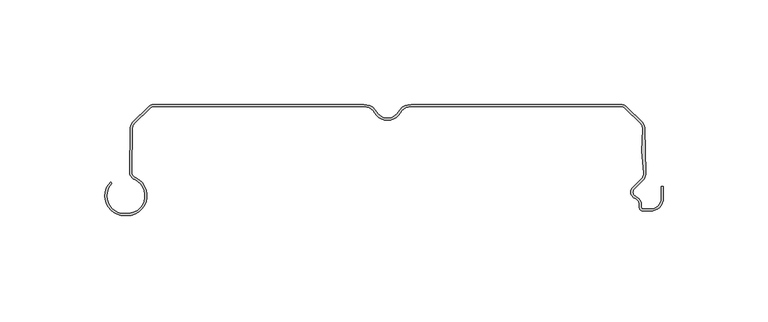
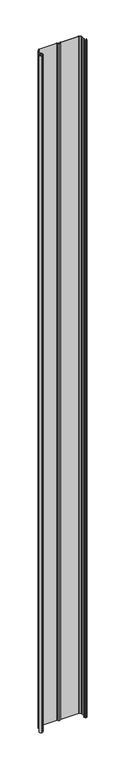
"""IFC4 building model written with IfcOpenShell, lengths in millimetres: plate geometry."""

from ifc_helpers import new_model, si_unit, point, frame_2d, origin, origin_with_axes, place, context, project, spatial, polyline, circle_curve, trimmed, segment, composite_curve, outline, extrude, source, transform, mapped, element, save


def plate_bf9ad2b4(model_context):
    return source(origin(), model_context, "Body", "SweptSolid", [
        extrude(outline(composite_curve([segment(polyline([(-125.5602535, -52.1554675), (-124.3062535, -52.1554674)]), True, "CONTINUOUS"), segment(trimmed(circle_curve(frame_2d((-124.3062535, -43.6554676)), 8.4999998), [point((-124.3062535, -52.1554674))], [point((-120.7922983, -35.9158219))], True, "CARTESIAN"), True, "CONTINUOUS"), segment(trimmed(circle_curve(frame_2d((-119.0973315, -32.1825808)), 4.1000003), [point((-120.7922983, -35.9158219))], [point((-123.1663292, -31.6793315))], False, "CARTESIAN"), True, "CONTINUOUS"), segment(trimmed(circle_curve(frame_2d((-221.9872875, -20.0746668)), 99.5000002), [point((-123.1663292, -31.6793315))], [point((-122.8298396, -11.8253902))], True, "CARTESIAN"), True, "CONTINUOUS"), segment(trimmed(circle_curve(frame_2d((-118.7516339, -11.4032092)), 4.0999999), [point((-122.8298396, -11.8253902))], [point((-121.6507716, -8.5040714))], False, "CARTESIAN"), True, "CONTINUOUS"), segment(polyline([(-121.6507716, -8.5040714), (-114.3475625, -1.2008622)]), True, "CONTINUOUS"), segment(trimmed(circle_curve(frame_2d((-111.4484247, -4.1)), 4.1), [point((-114.3475625, -1.2008622))], [point((-111.4484247, 0.0))], False, "CARTESIAN"), True, "CONTINUOUS"), segment(polyline([(-111.4484247, 0.0), (-11.2583302, 0.0)]), True, "CONTINUOUS"), segment(trimmed(circle_curve(frame_2d((-11.2583302, -7.0)), 7.0), [point((-11.2583302, 0.0))], [point((-5.1961524, -3.5))], False, "CARTESIAN"), True, "CONTINUOUS"), segment(trimmed(circle_curve(frame_2d((0.0, -0.5)), 6.0), [point((-5.1961524, -3.5))], [point((0.0, -6.5))], True, "CARTESIAN"), True, "CONTINUOUS"), segment(trimmed(circle_curve(frame_2d((0.0, -0.5)), 6.0), [point((0.0, -6.5))], [point((5.1961524, -3.5))], True, "CARTESIAN"), True, "CONTINUOUS"), segment(trimmed(circle_curve(frame_2d((11.2583302, -7.0)), 7.0), [point((5.1961524, -3.5))], [point((11.2583302, 0.0))], False, "CARTESIAN"), True, "CONTINUOUS"), segment(polyline([(11.2583302, 0.0), (111.4484247, 0.0)]), True, "CONTINUOUS"), segment(trimmed(circle_curve(frame_2d((111.4484247, -4.1)), 4.1), [point((111.4484247, 0.0))], [point((114.3475625, -1.2008622))], False, "CARTESIAN"), True, "CONTINUOUS"), segment(polyline([(114.3475625, -1.2008622), (121.6502638, -8.5035635)]), True, "CONTINUOUS"), segment(trimmed(circle_curve(frame_2d((118.751126, -11.4027013)), 4.1), [point((121.6502638, -8.5035635))], [point((122.8293417, -11.8247881))], False, "CARTESIAN"), True, "CONTINUOUS"), segment(trimmed(circle_curve(frame_2d((221.9888109, -20.0497283)), 99.5), [point((122.8293417, -11.8247881))], [point((123.2850467, -32.612249))], True, "CARTESIAN"), True, "CONTINUOUS"), segment(trimmed(circle_curve(frame_2d((118.9914799, -33.1706248)), 4.3297228), [point((123.2850467, -32.612249))], [point((121.927044, -36.353228))], False, "CARTESIAN"), True, "CONTINUOUS"), segment(polyline([(121.927044, -36.353228), (117.8931687, -40.3871033)]), True, "CONTINUOUS"), segment(trimmed(circle_curve(frame_2d((119.4488036, -41.9427382)), 2.2), [point((117.8931687, -40.3871033))], [point((118.6238711, -43.9822201))], True, "CARTESIAN"), True, "CONTINUOUS"), segment(trimmed(circle_curve(frame_2d((117.0489998, -47.8757764)), 4.2), [point((118.6238711, -43.9822201))], [point((121.2489999, -47.8757764))], False, "CARTESIAN"), True, "CONTINUOUS"), segment(polyline([(121.2489999, -47.8757764), (121.2489999, -49.0)]), True, "CONTINUOUS"), segment(trimmed(circle_curve(frame_2d((122.2489999, -49.0)), 1.0), [point((121.2489999, -49.0))], [point((122.2489999, -50.0))], True, "CARTESIAN"), True, "CONTINUOUS"), segment(polyline([(122.2489999, -50.0), (125.5499998, -50.0)]), True, "CONTINUOUS"), segment(trimmed(circle_curve(frame_2d((125.5499998, -44.8)), 5.2), [point((125.5499998, -50.0))], [point((130.7499998, -44.8))], True, "CARTESIAN"), True, "CONTINUOUS"), segment(polyline([(130.7499998, -44.8), (130.7499998, -39.169), (131.7499998, -39.169), (131.7499998, -44.8)]), True, "CONTINUOUS"), segment(trimmed(circle_curve(frame_2d((125.5499998, -44.8)), 6.2), [point((131.7499998, -44.8))], [point((125.5499998, -51.0))], False, "CARTESIAN"), True, "CONTINUOUS"), segment(polyline([(125.5499998, -51.0), (122.2489999, -51.0)]), True, "CONTINUOUS"), segment(trimmed(circle_curve(frame_2d((122.2489999, -49.0)), 2.0), [point((122.2489999, -51.0))], [point((120.2489999, -49.0))], False, "CARTESIAN"), True, "CONTINUOUS"), segment(polyline([(120.2489999, -49.0), (120.2489999, -47.8757764)]), True, "CONTINUOUS"), segment(trimmed(circle_curve(frame_2d((117.0489998, -47.8757764)), 3.2), [point((120.2489999, -47.8757764))], [point((118.2489017, -44.9092573))], True, "CARTESIAN"), True, "CONTINUOUS"), segment(trimmed(circle_curve(frame_2d((119.4488036, -41.9427382)), 3.2), [point((118.2489017, -44.9092573))], [point((117.1860619, -39.6799965))], False, "CARTESIAN"), True, "CONTINUOUS"), segment(polyline([(117.1860619, -39.6799965), (121.2351432, -35.6309153)]), True, "CONTINUOUS"), segment(trimmed(circle_curve(frame_2d((118.9914799, -33.1706248)), 3.3297228), [point((121.2351432, -35.6309153))], [point((122.2932338, -32.7399567))], True, "CARTESIAN"), True, "CONTINUOUS"), segment(trimmed(circle_curve(frame_2d((221.9888109, -20.0497283)), 100.5), [point((122.2932338, -32.7399567))], [point((121.8336676, -11.7312394))], False, "CARTESIAN"), True, "CONTINUOUS"), segment(trimmed(circle_curve(frame_2d((118.751126, -11.4027013)), 3.1), [point((121.8336676, -11.7312394))], [point((120.943157, -9.2106703))], True, "CARTESIAN"), True, "CONTINUOUS"), segment(polyline([(120.943157, -9.2106703), (113.6404557, -1.907969)]), True, "CONTINUOUS"), segment(trimmed(circle_curve(frame_2d((111.4484247, -4.1)), 3.1), [point((113.6404557, -1.907969))], [point((111.4484247, -1.0))], True, "CARTESIAN"), True, "CONTINUOUS"), segment(polyline([(111.4484247, -1.0), (11.2583302, -1.0)]), True, "CONTINUOUS"), segment(trimmed(circle_curve(frame_2d((11.2583302, -7.0)), 6.0), [point((11.2583302, -1.0))], [point((6.0621778, -4.0))], True, "CARTESIAN"), True, "CONTINUOUS"), segment(trimmed(circle_curve(frame_2d((0.0, -0.5)), 7.0), [point((6.0621778, -4.0))], [point((0.0, -7.5))], False, "CARTESIAN"), True, "CONTINUOUS"), segment(trimmed(circle_curve(frame_2d((0.0, -0.5)), 7.0), [point((0.0, -7.5))], [point((-6.0621778, -4.0))], False, "CARTESIAN"), True, "CONTINUOUS"), segment(trimmed(circle_curve(frame_2d((-11.2583302, -7.0)), 6.0), [point((-6.0621778, -4.0))], [point((-11.2583302, -1.0))], True, "CARTESIAN"), True, "CONTINUOUS"), segment(polyline([(-11.2583302, -1.0), (-111.4484247, -1.0)]), True, "CONTINUOUS"), segment(trimmed(circle_curve(frame_2d((-111.4484247, -4.1)), 3.1), [point((-111.4484247, -1.0))], [point((-113.6404557, -1.907969))], True, "CARTESIAN"), True, "CONTINUOUS"), segment(polyline([(-113.6404557, -1.907969), (-120.9436649, -9.2111782)]), True, "CONTINUOUS"), segment(trimmed(circle_curve(frame_2d((-118.7516339, -11.4032092)), 3.1), [point((-120.9436649, -9.2111782))], [point((-121.8341788, -11.7317167))], True, "CARTESIAN"), True, "CONTINUOUS"), segment(trimmed(circle_curve(frame_2d((-221.9872875, -20.0746668)), 100.5), [point((-121.8341788, -11.7317167))], [point((-122.1735499, -31.7993319))], False, "CARTESIAN"), True, "CONTINUOUS"), segment(trimmed(circle_curve(frame_2d((-119.0973315, -32.1825808)), 3.0999999), [point((-122.1735499, -31.7993319))], [point((-120.3788916, -35.005275))], True, "CARTESIAN"), True, "CONTINUOUS"), segment(trimmed(circle_curve(frame_2d((-124.3062535, -43.6554676)), 9.5000001), [point((-120.3788916, -35.005275))], [point((-124.3062535, -53.1554677))], False, "CARTESIAN"), True, "CONTINUOUS"), segment(polyline([(-124.3062535, -53.1554677), (-125.5602535, -53.1554676)]), True, "CONTINUOUS"), segment(trimmed(circle_curve(frame_2d((-125.5602535, -43.6554676)), 9.5), [point((-125.5602535, -53.1554676))], [point((-132.2777679, -36.9379531))], False, "CARTESIAN"), True, "CONTINUOUS"), segment(polyline([(-132.2777679, -36.9379531), (-131.5706611, -37.6450599)]), True, "CONTINUOUS"), segment(trimmed(circle_curve(frame_2d((-125.5602535, -43.6554676)), 8.4999999), [point((-131.5706611, -37.6450599))], [point((-125.5602535, -52.1554675))], True, "CARTESIAN"), True, "CONTINUOUS")], self_intersect=False)), origin_with_axes(), (0.0, 0.0, 1.0), 4000.0),
    ])


if __name__ == "__main__":
    model = new_model("IFC4")
    model_context = context("Model", 3, world=origin())
    ifc_project = project(units=[si_unit("LENGTHUNIT", "METRE", prefix="MILLI")], contexts=[model_context])
    site = spatial("IfcSite", under=ifc_project)
    building = spatial("IfcBuilding", under=site)
    placement = place(None, origin())
    plate_shape = plate_bf9ad2b4(model_context)
    element("IfcPlate", 1, at=placement, inside=building, context=model_context, shape_type="MappedRepresentation", body=[
        mapped(plate_shape, transform((0.0, 0.0, 0.0), x_axis=(1.0, 0.0, 0.0), y_axis=(0.0, 1.0, 0.0), z_axis=(0.0, 0.0, 1.0))),
    ])
    save(model, "model.ifc")
